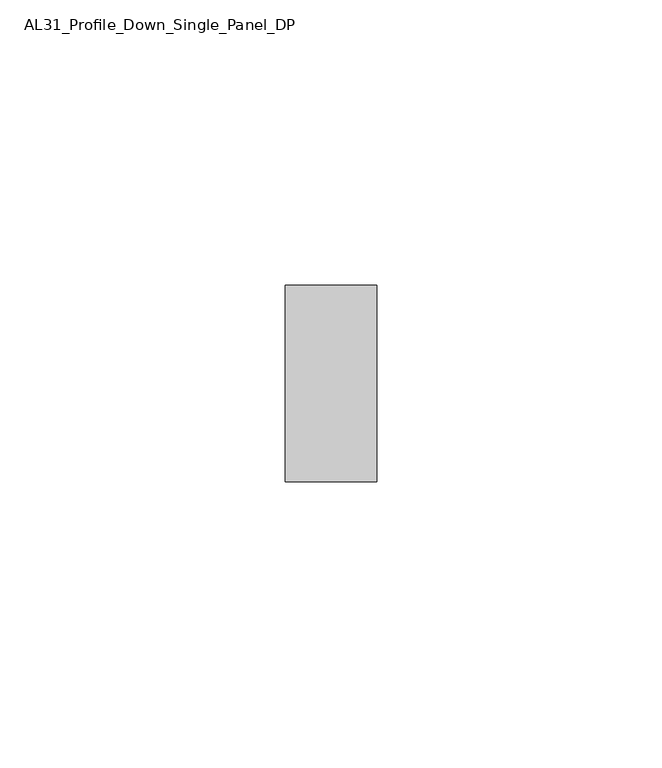
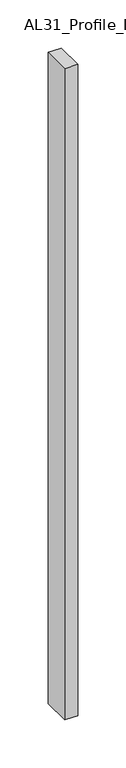
"""IFC4 building model written with IfcOpenShell, lengths in millimetres: member geometry, AL31_Profile_Down_Single_Panel_DP."""

from ifc_helpers import new_model, si_unit, frame, origin, place, context, project, spatial, polyline, outline, extrude, source, transform, mapped, element, save


def al31_profile_down_single_panel_dp_ff24f420(model_context):
    return source(origin(), model_context, "Body", "SweptSolid", [
        extrude(outline(polyline([(0.0, 37.107), (0.0, 2.607), (-16.0427074, 2.607), (-16.0427074, 37.107), (0.0, 37.107)])), frame((0.0, 0.0, -827.6602632), z_axis=(0.0, 0.0, 1.0), x_axis=(1.0, 0.0, 0.0)), (0.0, 0.0, 1.0), 827.6602632),
    ])


if __name__ == "__main__":
    model = new_model("IFC4")
    model_context = context("Model", 3, world=origin())
    ifc_project = project(units=[si_unit("LENGTHUNIT", "METRE", prefix="MILLI")], contexts=[model_context])
    site = spatial("IfcSite", under=ifc_project)
    building = spatial("IfcBuilding", under=site)
    placement = place(None, origin())
    al31_profile_down_single_panel_dp_shape = al31_profile_down_single_panel_dp_ff24f420(model_context)
    element("IfcMember", 1, ObjectType="AL31_Profile_Down_Single_Panel_DP", at=placement, inside=building, context=model_context, shape_type="MappedRepresentation", body=[
        mapped(al31_profile_down_single_panel_dp_shape, transform((0.0, 0.0, 0.0), x_axis=(1.0, 0.0, 0.0), y_axis=(0.0, 1.0, 0.0), z_axis=(0.0, 0.0, 1.0))),
    ])
    save(model, "model.ifc")
